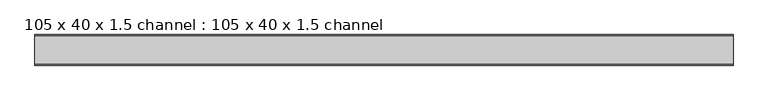
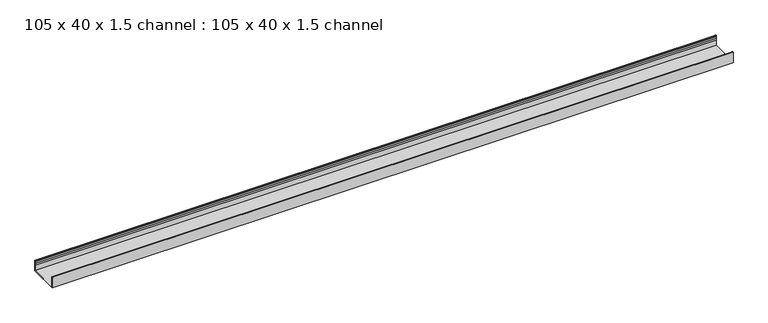
"""IFC4 building model written with IfcOpenShell, lengths in millimetres: proxy geometry, 105 x 40 x 1.5 channel : 105 x 40 x 1.5 channel."""

from ifc_helpers import new_model, si_unit, point, frame, frame_2d, origin, place, context, project, spatial, polyline, circle_curve, trimmed, segment, composite_curve, outline, extrude, source, transform, mapped, element, save


def proxy_105_x_40_x_1_5_channel_105_x_40_x_1_5_channel_d3be0dae(model_context):
    return source(origin(), model_context, "Body", "SweptSolid", [
        extrude(outline(composite_curve([segment(trimmed(circle_curve(frame_2d((834.0503008, 32.0)), 10.0), [point((843.6256088, 29.1166898))], [point((843.6256088, 34.8833102))], True, "CARTESIAN"), True, "CONTINUOUS"), segment(polyline([(843.6256088, 34.8833102), (843.0503008, 38.8)]), True, "CONTINUOUS"), segment(trimmed(circle_curve(frame_2d((844.2503008, 38.8)), 1.2), [point((843.0503008, 38.8))], [point((845.4503008, 38.8))], False, "CARTESIAN"), True, "CONTINUOUS"), segment(polyline([(845.4503008, 38.8), (845.4503008, 0.0), (740.1503008, 0.0), (740.1503008, 38.8)]), True, "CONTINUOUS"), segment(trimmed(circle_curve(frame_2d((741.3503008, 38.8)), 1.2), [point((740.1503008, 38.8))], [point((742.5503008, 38.8))], False, "CARTESIAN"), True, "CONTINUOUS"), segment(polyline([(742.5503008, 38.8), (741.9749929, 34.8833102)]), True, "CONTINUOUS"), segment(trimmed(circle_curve(frame_2d((751.5503008, 32.0)), 10.0), [point((741.9749929, 34.8833102))], [point((741.9749929, 29.1166898))], True, "CARTESIAN"), True, "CONTINUOUS"), segment(trimmed(circle_curve(frame_2d((732.5503008, 25.77376)), 10.0), [point((741.9749929, 29.1166898))], [point((741.5503008, 21.4148611))], False, "CARTESIAN"), True, "CONTINUOUS"), segment(polyline([(741.5503008, 21.4148611), (741.5503008, 1.4), (844.0503008, 1.4), (844.0503008, 21.4148611)]), True, "CONTINUOUS"), segment(trimmed(circle_curve(frame_2d((853.0503008, 25.77376)), 10.0), [point((844.0503008, 21.4148611))], [point((843.6256088, 29.1166898))], False, "CARTESIAN"), True, "CONTINUOUS")], self_intersect=False)), frame((-7955.3690716, 0.0, 0.0), z_axis=(1.0, 0.0, 0.0), x_axis=(0.0, 1.0, 0.0)), (0.0, 0.0, 1.0), 2400.0),
    ])


if __name__ == "__main__":
    model = new_model("IFC4")
    model_context = context("Model", 3, world=origin())
    ifc_project = project(units=[si_unit("LENGTHUNIT", "METRE", prefix="MILLI")], contexts=[model_context])
    site = spatial("IfcSite", under=ifc_project)
    building = spatial("IfcBuilding", under=site)
    placement = place(None, origin())
    proxy_105_x_40_x_1_5_channel_105_x_40_x_1_5_channel_shape = proxy_105_x_40_x_1_5_channel_105_x_40_x_1_5_channel_d3be0dae(model_context)
    element("IfcBuildingElementProxy", 1, Name="105 x 40 x 1.5 channel : 105 x 40 x 1.5 channel", ObjectType="105 x 40 x 1.5 channel : 105 x 40 x 1.5 channel", at=placement, inside=building, context=model_context, shape_type="MappedRepresentation", body=[
        mapped(proxy_105_x_40_x_1_5_channel_105_x_40_x_1_5_channel_shape, transform((0.0, 0.0, 0.0), x_axis=(1.0, 0.0, 0.0), y_axis=(0.0, 1.0, 0.0), z_axis=(0.0, 0.0, 1.0))),
    ])
    save(model, "model.ifc")
